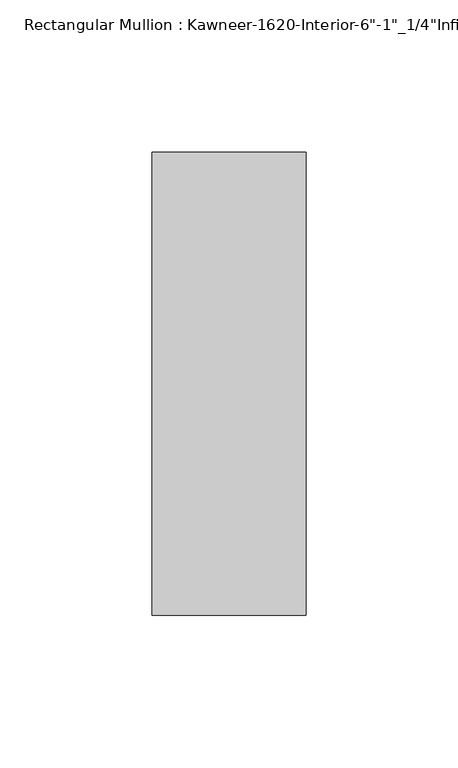
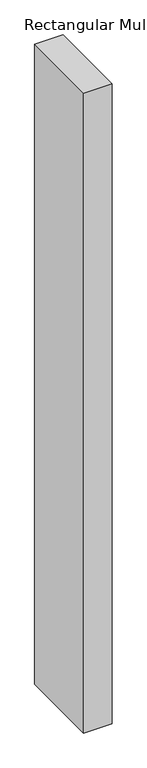
"""IFC4 building model written with IfcOpenShell, lengths in millimetres: member geometry."""

from ifc_helpers import new_model, si_unit, frame, origin, place, context, project, spatial, polyline, outline, extrude, source, transform, mapped, element, save


def member_e3810300(model_context):
    return source(origin(), model_context, "Body", "SweptSolid", [
        extrude(outline(polyline([(25.4, -123.825), (-25.4, -123.825), (-25.4, 28.575), (25.4, 28.575), (25.4, -123.825)])), frame((0.0, 0.0, -1213.7182369), z_axis=(0.0, 0.0, 1.0), x_axis=(1.0, 0.0, 0.0)), (0.0, 0.0, 1.0), 1213.7182369),
    ])


if __name__ == "__main__":
    model = new_model("IFC4")
    model_context = context("Model", 3, world=origin())
    ifc_project = project(units=[si_unit("LENGTHUNIT", "METRE", prefix="MILLI")], contexts=[model_context])
    site = spatial("IfcSite", under=ifc_project)
    building = spatial("IfcBuilding", under=site)
    placement = place(None, origin())
    member_shape = member_e3810300(model_context)
    element("IfcMember", 1, ObjectType="Rectangular Mullion : Kawneer-1620-Interior-6\"-1\"_1/4\"Infill", at=placement, inside=building, context=model_context, shape_type="MappedRepresentation", body=[
        mapped(member_shape, transform((0.0, 0.0, 0.0), x_axis=(1.0, 0.0, 0.0), y_axis=(0.0, 1.0, 0.0), z_axis=(0.0, 0.0, 1.0))),
    ])
    save(model, "model.ifc")
